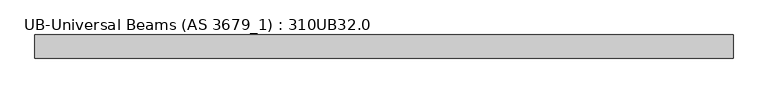
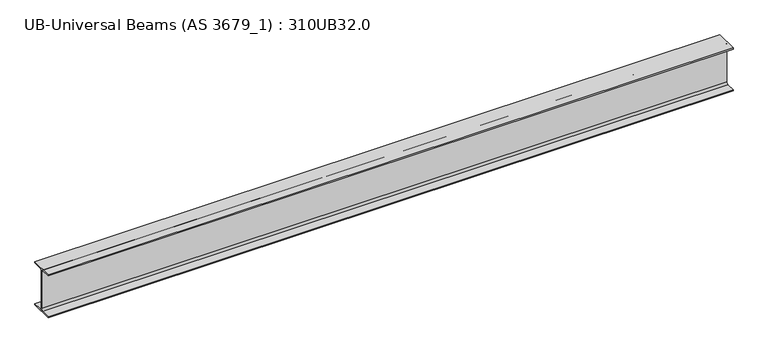
"""IFC4 building model written with IfcOpenShell, lengths in millimetres: beam geometry, UB-Universal Beams (AS 3679_1) : 310UB32.0."""

from ifc_helpers import new_model, si_unit, point, frame, frame_2d, origin, place, context, project, spatial, polyline, circle_curve, trimmed, segment, composite_curve, outline, extrude, source, transform, mapped, element, save


def ub_universal_beams_as_3679_1_310ub32_0_97d8aa7c(model_context):
    return source(origin(), model_context, "Body", "SweptSolid", [
        extrude(outline(composite_curve([segment(polyline([(74.5, -141.0), (74.5, -149.0), (-74.5, -149.0), (-74.5, -141.0), (-15.75, -141.0)]), True, "CONTINUOUS"), segment(trimmed(circle_curve(frame_2d((-15.75, -128.0)), 13.0), [point((-15.75, -141.0))], [point((-2.75, -128.0))], True, "CARTESIAN"), True, "CONTINUOUS"), segment(polyline([(-2.75, -128.0), (-2.75, 128.0)]), True, "CONTINUOUS"), segment(trimmed(circle_curve(frame_2d((-15.75, 128.0)), 13.0), [point((-2.75, 128.0))], [point((-15.75, 141.0))], True, "CARTESIAN"), True, "CONTINUOUS"), segment(polyline([(-15.75, 141.0), (-74.5, 141.0), (-74.5, 149.0), (74.5, 149.0), (74.5, 141.0), (15.75, 141.0)]), True, "CONTINUOUS"), segment(trimmed(circle_curve(frame_2d((15.75, 128.0)), 13.0), [point((15.75, 141.0))], [point((2.75, 128.0))], True, "CARTESIAN"), True, "CONTINUOUS"), segment(polyline([(2.75, 128.0), (2.75, -128.0)]), True, "CONTINUOUS"), segment(trimmed(circle_curve(frame_2d((15.75, -128.0)), 13.0), [point((2.75, -128.0))], [point((15.75, -141.0))], True, "CARTESIAN"), True, "CONTINUOUS"), segment(polyline([(15.75, -141.0), (74.5, -141.0)]), True, "CONTINUOUS")], self_intersect=False)), frame((-2248.4, 0.0, 0.0), z_axis=(1.0, 0.0, 0.0), x_axis=(0.0, 1.0, 0.0)), (0.0, 0.0, 1.0), 4496.8),
    ])


if __name__ == "__main__":
    model = new_model("IFC4")
    model_context = context("Model", 3, world=origin())
    ifc_project = project(units=[si_unit("LENGTHUNIT", "METRE", prefix="MILLI")], contexts=[model_context])
    site = spatial("IfcSite", under=ifc_project)
    building = spatial("IfcBuilding", under=site)
    placement = place(None, origin())
    ub_universal_beams_as_3679_1_310ub32_0_shape = ub_universal_beams_as_3679_1_310ub32_0_97d8aa7c(model_context)
    element("IfcBeam", 1, ObjectType="UB-Universal Beams (AS 3679_1) : 310UB32.0", at=placement, inside=building, context=model_context, shape_type="MappedRepresentation", body=[
        mapped(ub_universal_beams_as_3679_1_310ub32_0_shape, transform((0.0, 0.0, 0.0), x_axis=(1.0, 0.0, 0.0), y_axis=(0.0, 1.0, 0.0), z_axis=(0.0, 0.0, 1.0))),
    ])
    save(model, "model.ifc")
